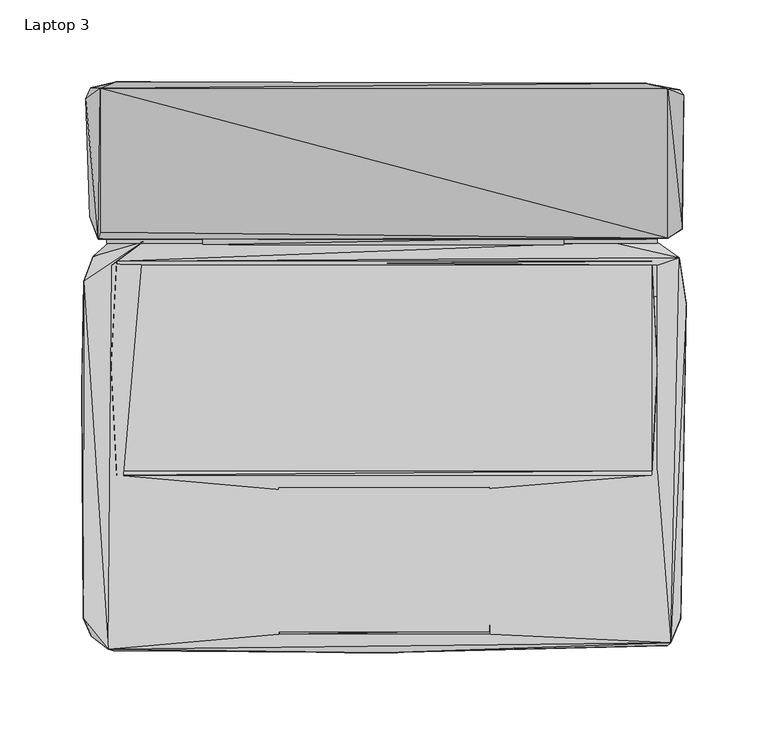
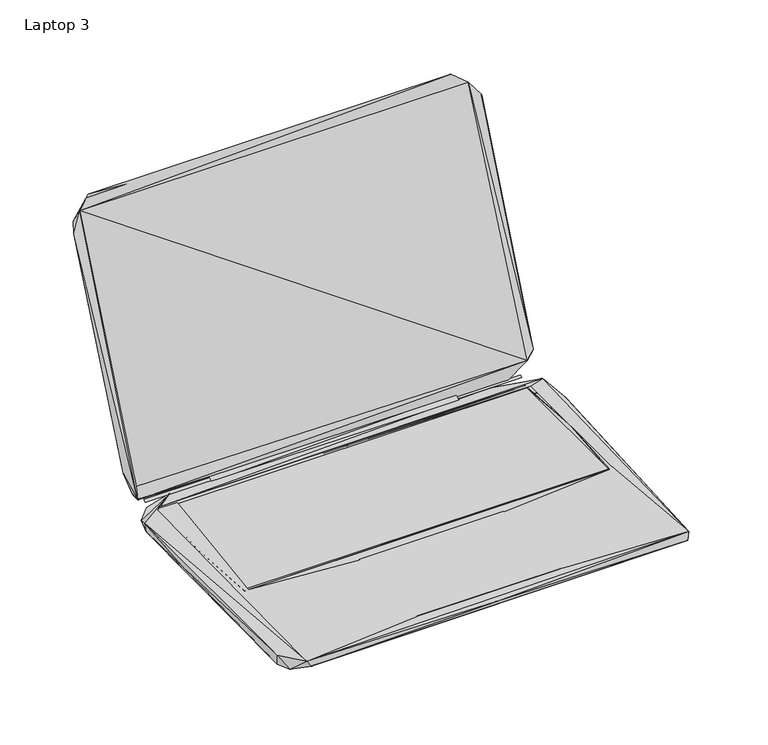
"""IFC4 building model written with IfcOpenShell, lengths in millimetres: furniture geometry, Laptop 3."""

from ifc_helpers import new_model, si_unit, origin, place, context, project, spatial, triangles, source, transform, mapped, element, save


def laptop_3_c78ef48e(model_context):
    return source(origin(), model_context, "Body", "Tessellation", [
        triangles([(-163.1627697, -63.4160874, 10.6379669), (163.3643562, -63.4161328, 10.6379669), (-163.1627515, 62.2339738, 10.6379669), (163.3643744, 62.2339375, 10.6379669)], [[1, 2, 3], [2, 4, 3]], closed=False),
        triangles([(-110.8122042, 74.6278076, 10.6596248), (109.6013497, 74.6277804, 10.6596248), (109.7013436, 79.0277798, 13.559625), (-110.8122042, 79.12781, 13.559625), (-177.7495065, 67.5618372, 1.9875597), (-147.0630801, 76.4618299, 11.2875593), (-168.0495172, 76.0618362, 5.7875595), (179.8283585, 64.061792, 1.3875597), (-175.7495195, 83.7618295, 15.6875588), (179.7283646, 88.361794, 24.887557), (153.6283589, 77.661793, 9.9875603), (-174.5495019, 78.1618352, 13.8875596), (-173.4495146, 82.3618332, 23.5875592), (-173.4495146, 170.083768, 230.6309262), (173.2283617, 78.5617926, 23.5875592), (-182.3494982, 163.7837528, 215.930915), (-169.4495044, 75.7618409, 11.0875602), (166.7283587, 75.7617955, 11.0875602), (-169.4495044, 78.1618352, 12.3875592), (166.7283587, 78.1617898, 12.3875592), (138.5419342, 76.3617997, 10.7875592), (166.8283708, 76.2617877, 5.8875596), (-166.3495301, 62.0618368, 11.38756), (-163.1495074, 64.761831, 11.38756), (-163.1495255, 62.1618353, 10.6875596), (163.4283603, 64.7617856, 11.38756), (166.7283405, 62.1617989, 11.4875596), (180.1283584, 66.7617907, 11.1875598), (163.4283603, 62.1617989, 10.6875596), (181.8283636, 84.2617899, 27.087559), (173.2283617, 169.9837378, 230.7309201), (183.028363, 165.9837276, 217.9309201), (180.4283582, 169.283726, 219.6309072), (-179.2495058, 170.3837497, 222.6309239), (-163.4495072, 174.08376, 240.2309216), (159.4283501, 173.283718, 240.9309152), (-183.6495461, -153.3039601, 10.6875596), (-182.5495405, -150.8039492, 0.2875598), (-178.8495483, -164.2039488, 2.0875598), (-168.3495352, -172.303945, 11.1875598), (-184.5495275, -12.9600885, 6.4875599), (-183.349528, 52.5508712, 10.0875599), (-180.9495292, 54.1508735, 0.2875598), (180.9283277, -153.703972, 0.3875598), (-165.1495306, -173.3039384, 5.9875598), (172.9283255, -170.0039763, 4.2875599), (-0.1173823, -174.3039682, 9.9875603), (-64.3902557, -163.2039554, 11.4875596), (-62.6902414, -74.8820299, 10.9875595), (174.8283367, -168.4039832, 11.2875593), (64.6690269, -163.2039917, 11.4875596), (-166.549536, -63.3820142, 11.4875596), (-162.9495559, -66.0820175, 11.4875596), (-64.3902557, -161.80395, 11.0875602), (64.2690377, -161.7039742, 11.0875602), (64.0690453, -73.4820427, 11.0875602), (-64.490236, -73.5820321, 11.0875602), (-63.4902562, -159.803963, 10.9875595), (62.0690402, -161.1039564, 10.9875595), (62.1690477, -74.18205, 10.9875595), (184.3283564, 38.5508264, 8.7875592), (163.4283421, -66.0820584, 11.4875596), (166.7283405, -63.3820596, 11.4875596), (182.5283391, 42.6508305, 0.1875598), (-163.1495437, -66.0820175, 11.38756), (163.4283421, -63.3820596, 10.6875596), (-163.1495437, -63.3820142, 10.6875596), (-166.5495179, 0.5399075, 11.38756), (166.7283405, -1.7601318, 11.38756), (-179.8495055, 91.6618378, 32.1875588)], [[1, 2, 3], [1, 3, 4], [5, 6, 7], [5, 7, 8], [9, 10, 11], [9, 11, 12], [12, 13, 14], [12, 11, 15], [12, 15, 13], [12, 14, 16], [17, 18, 19], [19, 18, 20], [7, 6, 21], [7, 21, 22], [7, 22, 8], [23, 24, 6], [24, 25, 26], [24, 21, 6], [24, 27, 28], [24, 28, 21], [25, 29, 26], [21, 28, 22], [11, 30, 15], [11, 10, 30], [22, 28, 8], [15, 30, 31], [10, 32, 30], [10, 33, 32], [30, 32, 31], [16, 14, 34], [34, 35, 33], [34, 14, 35], [14, 36, 35], [14, 31, 36], [35, 36, 33], [36, 31, 33], [31, 32, 33], [37, 38, 39], [37, 39, 40], [37, 41, 38], [37, 42, 41], [37, 40, 42], [38, 41, 43], [38, 44, 39], [38, 43, 44], [39, 45, 40], [39, 46, 45], [39, 44, 46], [40, 23, 6], [40, 45, 47], [40, 48, 49], [40, 47, 50], [40, 51, 48], [40, 50, 51], [40, 52, 23], [40, 53, 52], [40, 49, 53], [40, 6, 42], [45, 46, 47], [54, 55, 56], [54, 56, 57], [48, 58, 49], [48, 59, 58], [48, 51, 59], [47, 46, 50], [51, 50, 60], [46, 44, 50], [50, 61, 28], [50, 44, 61], [50, 62, 60], [50, 63, 62], [50, 27, 63], [50, 28, 27], [44, 64, 61], [44, 43, 64], [65, 66, 67], [65, 62, 66], [65, 67, 68], [67, 25, 68], [53, 49, 60], [53, 60, 62], [66, 62, 69], [66, 69, 29], [41, 42, 43], [68, 25, 24], [69, 26, 29], [42, 5, 43], [42, 6, 5], [43, 5, 8], [43, 8, 64], [64, 8, 61], [61, 8, 28], [70, 9, 12], [70, 12, 16], [70, 10, 9], [70, 34, 33], [70, 33, 10], [70, 16, 34]], closed=False),
        triangles([(-173.4428471, 82.3396053, 23.5443364), (173.2898041, 78.5395647, 23.5443364), (-173.4428471, 170.1375256, 230.6010043), (173.2898041, 169.9374833, 230.6010043)], [[1, 2, 3], [2, 4, 3]], closed=False),
    ])


if __name__ == "__main__":
    model = new_model("IFC4")
    model_context = context("Model", 3, world=origin())
    ifc_project = project(units=[si_unit("LENGTHUNIT", "METRE", prefix="MILLI")], contexts=[model_context])
    site = spatial("IfcSite", under=ifc_project)
    building = spatial("IfcBuilding", under=site)
    placement = place(None, origin())
    laptop_3_shape = laptop_3_c78ef48e(model_context)
    element("IfcFurniture", 1, ObjectType="Laptop 3", at=placement, inside=building, context=model_context, shape_type="MappedRepresentation", body=[
        mapped(laptop_3_shape, transform((0.0, 0.0, 0.0), x_axis=(1.0, 0.0, 0.0), y_axis=(0.0, 1.0, 0.0), z_axis=(0.0, 0.0, 1.0))),
    ])
    save(model, "model.ifc")
